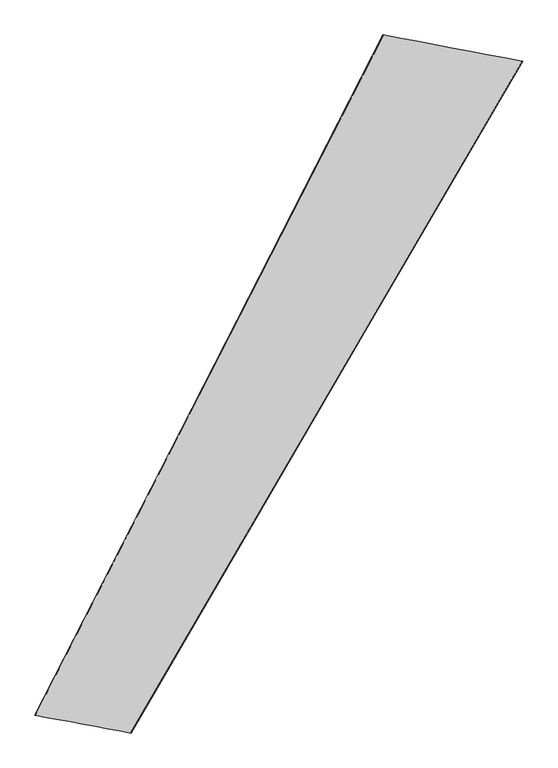
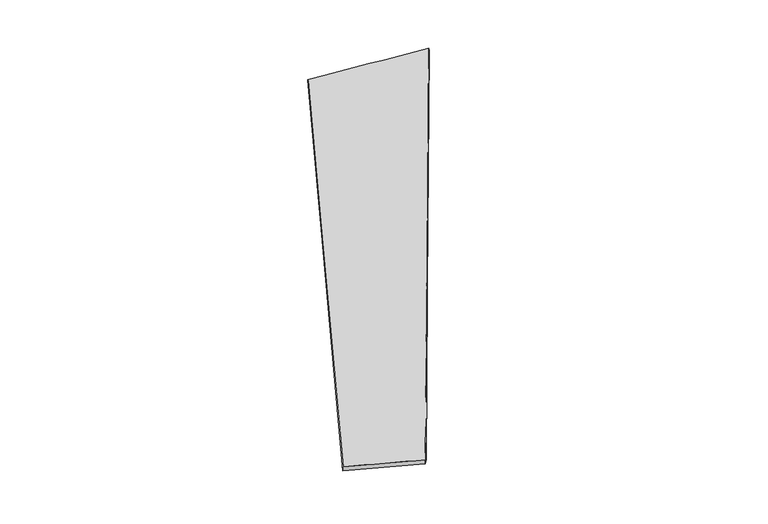
"""IFC4 building model written with IfcOpenShell, lengths in millimetres: proxy geometry."""

import ifcopenshell
import ifcopenshell.guid

model = None  # the IFC model being written
_history = None  # IfcOwnerHistory: only IFC2X3 demands one
_inside = {}  # id of a spatial element -> (the spatial element, [elements in it])
_under = {}  # id of a project, library or spatial element -> (it, [spatial elements below it])
_declared = {}  # id of a project -> (the project, [libraries it declares])
_typed = {}  # id of a type object -> (the type object, [elements of that type])
_made_of = {}  # id of a material, layer set ... -> (it, [elements and type objects made of it])


def new_model(schema):
    """Start an empty IFC model of exactly this schema.

    Asked for "IFC4X3", IfcOpenShell would pick the latest addendum, in which some entities
    have other attributes; the version numbers below select the first issue.
    IFC2X3 requires an IfcOwnerHistory on every rooted entity: one is made here for all.
    """
    global model, _history
    if schema == "IFC4X3":
        model = ifcopenshell.file(schema_version=(4, 3, 0, 0))
    else:
        model = ifcopenshell.file(schema=schema)
    _inside.clear()
    _under.clear()
    _declared.clear()
    _typed.clear()
    _made_of.clear()
    _history = None
    if model.schema == "IFC2X3":
        org = make("IfcOrganization", Name="unknown")
        user = make(
            "IfcPersonAndOrganization",
            ThePerson=make("IfcPerson", FamilyName="unknown"),
            TheOrganization=org,
        )
        app = make(
            "IfcApplication",
            ApplicationDeveloper=org,
            Version="unknown",
            ApplicationFullName="unknown",
            ApplicationIdentifier="unknown",
        )
        _history = make(
            "IfcOwnerHistory",
            OwningUser=user,
            OwningApplication=app,
            ChangeAction="ADDED",
            CreationDate=0,
        )
    return model


def make(cls, **values):
    """One entity of the class cls with the attributes given. An attribute that is None is left unset."""
    return model.create_entity(
        cls, **{name: value for name, value in values.items() if value is not None}
    )


def rooted(cls, **values):
    """An entity with a GlobalId (a new one), such as an element, a storey or a relation."""
    return make(cls, GlobalId=ifcopenshell.guid.new(), OwnerHistory=_history, **values)


def si_unit(unit_type, name, prefix=None):
    """IfcSIUnit, for example si_unit("LENGTHUNIT", "METRE", prefix="MILLI")."""
    return make("IfcSIUnit", UnitType=unit_type, Prefix=prefix, Name=name)


def assignment(units):
    """IfcUnitAssignment: the units of a project."""
    return None if units is None else make("IfcUnitAssignment", Units=units)


def point(xyz):
    """IfcCartesianPoint."""
    return None if xyz is None else make("IfcCartesianPoint", Coordinates=xyz)


def direction(xyz):
    """IfcDirection."""
    return None if xyz is None else make("IfcDirection", DirectionRatios=xyz)


def frame(location, z_axis=None, x_axis=None):
    """IfcAxis2Placement3D, a coordinate frame: its origin and axes. An axis left out is left unset."""
    return make(
        "IfcAxis2Placement3D",
        Location=point(location),
        Axis=direction(z_axis),
        RefDirection=direction(x_axis),
    )


def origin():
    """The frame at (0, 0, 0) with its axes left unset."""
    return frame((0.0, 0.0, 0.0))


def place(relative_to, where):
    """IfcLocalPlacement: puts the frame where relative to a parent placement (None: the world)."""
    return make(
        "IfcLocalPlacement", PlacementRelTo=relative_to, RelativePlacement=where
    )


def context(
    kind, dimensions, precision=None, world=None, true_north=None, identifier=None
):
    """IfcGeometricRepresentationContext, for example the 3D "Model" context."""
    return make(
        "IfcGeometricRepresentationContext",
        ContextIdentifier=identifier,
        ContextType=kind,
        CoordinateSpaceDimension=dimensions,
        Precision=precision,
        WorldCoordinateSystem=world,
        TrueNorth=true_north,
    )


def project(units=None, contexts=None):
    """IfcProject with its units and contexts."""
    return rooted(
        "IfcProject",
        Name="project",
        RepresentationContexts=contexts,
        UnitsInContext=assignment(units),
    )


def spatial(cls, under=None, at=None, **own):
    """A site, building, storey or space (cls), placed at a placement, below another one or the project."""
    s = rooted(cls, ObjectPlacement=at, **own)
    if under is not None:
        _under.setdefault(under.id(), (under, []))[1].append(s)
    return s


def shape(context_of_items, identifier, shape_type, items):
    """IfcShapeRepresentation: the items that make up one representation, for example the "Body"."""
    return make(
        "IfcShapeRepresentation",
        ContextOfItems=context_of_items,
        RepresentationIdentifier=identifier,
        RepresentationType=shape_type,
        Items=items,
    )


def source(mapping_origin, context_of_items, identifier, shape_type, items):
    """IfcRepresentationMap: a shape defined once, which mapped items show again and again."""
    return make(
        "IfcRepresentationMap",
        MappingOrigin=mapping_origin,
        MappedRepresentation=shape(context_of_items, identifier, shape_type, items),
    )


def transform(
    local_origin,
    x_axis=None,
    y_axis=None,
    z_axis=None,
    scale=None,
    scale2=None,
    scale3=None,
    uniform=True,
):
    """IfcCartesianTransformationOperator3D, or its non-uniform kind. x_axis, y_axis, z_axis: its Axis1, 2, 3."""
    if uniform:
        return make(
            "IfcCartesianTransformationOperator3D",
            Axis1=direction(x_axis),
            Axis2=direction(y_axis),
            LocalOrigin=point(local_origin),
            Scale=scale,
            Axis3=direction(z_axis),
        )
    return make(
        "IfcCartesianTransformationOperator3DnonUniform",
        Axis1=direction(x_axis),
        Axis2=direction(y_axis),
        LocalOrigin=point(local_origin),
        Scale=scale,
        Axis3=direction(z_axis),
        Scale2=scale2,
        Scale3=scale3,
    )


def mapped(mapping_source, mapping_target):
    """IfcMappedItem: shows the shape of a source again, moved by a transform."""
    return make(
        "IfcMappedItem", MappingSource=mapping_source, MappingTarget=mapping_target
    )


def made_of(thing, what):
    """Note that an element or type object is made of a material, layer set ...; save() writes the relation."""
    if what is not None:
        _made_of.setdefault(what.id(), (what, []))[1].append(thing)
    return thing


def element(
    cls,
    number,
    at=None,
    inside=None,
    cuts=None,
    type_object=None,
    material=None,
    context=None,
    identifier="Body",
    shape_type=None,
    held_by="IfcProductDefinitionShape",
    body=None,
    shapes=None,
    **own,
):
    """One element of the class cls, such as IfcWall. Its Tag is "e" and its number.

    at: its placement. inside: the storey or other place that contains it. cuts: it is an
    opening in that element (IfcRelVoidsElement). A single representation is given by context,
    identifier, shape_type and body (its items); several are given by shapes. held_by: the class
    of the entity that holds the representations. save() writes the other relations.
    """
    e = rooted(cls, Tag="e%d" % number, ObjectPlacement=at, **own)
    if body is not None:
        shapes = [shape(context, identifier, shape_type, body)]
    if shapes is not None:
        e.Representation = make(held_by, Representations=shapes)
    if inside is not None:
        _inside.setdefault(inside.id(), (inside, []))[1].append(e)
    if cuts is not None:
        rooted(
            "IfcRelVoidsElement", RelatingBuildingElement=cuts, RelatedOpeningElement=e
        )
    if type_object is not None:
        _typed.setdefault(type_object.id(), (type_object, []))[1].append(e)
    return made_of(e, material)


def aggregate(whole, parts):
    """IfcRelAggregates: a whole, such as a stair, and the parts it consists of."""
    return rooted("IfcRelAggregates", RelatingObject=whole, RelatedObjects=parts)


def save(model, path):
    """Write the relations noted so far, then the file.

    IfcRelAggregates (storeys below a building ...), IfcRelContainedInSpatialStructure (elements
    in a storey), IfcRelDefinesByType, IfcRelAssociatesMaterial and IfcRelDeclares: one each for
    every whole, place, type object, material and project.
    """
    for whole, parts in _under.values():
        aggregate(whole, parts)
    for where, things in _inside.values():
        rooted(
            "IfcRelContainedInSpatialStructure",
            RelatedElements=things,
            RelatingStructure=where,
        )
    for kind, things in _typed.values():
        rooted("IfcRelDefinesByType", RelatedObjects=things, RelatingType=kind)
    for what, things in _made_of.values():
        rooted("IfcRelAssociatesMaterial", RelatedObjects=things, RelatingMaterial=what)
    for by, libraries in _declared.values():
        rooted("IfcRelDeclares", RelatingContext=by, RelatedDefinitions=libraries)
    model.write(path)


def spline_surface(u_degree, v_degree, points, u_multiplicities, v_multiplicities, u_knots, v_knots, weights=None):
    """IfcBSplineSurfaceWithKnots; with weights, IfcRationalBSplineSurfaceWithKnots. points: one row for each step in u."""
    own = dict(
        UDegree=u_degree,
        VDegree=v_degree,
        ControlPointsList=[[point(p) for p in row] for row in points],
        SurfaceForm="UNSPECIFIED",
        UClosed=False,
        VClosed=False,
        SelfIntersect=False,
        UMultiplicities=u_multiplicities,
        VMultiplicities=v_multiplicities,
        UKnots=u_knots,
        VKnots=v_knots,
        KnotSpec="UNSPECIFIED",
    )
    if weights is None:
        return make("IfcBSplineSurfaceWithKnots", **own)
    return make("IfcRationalBSplineSurfaceWithKnots", WeightsData=weights, **own)


def advanced_brep(points, edges, surfaces, faces):
    """IfcAdvancedBrep: a solid bounded by faces that lie on surfaces and meet in shared edges.

    An edge is (start, end): straight between two places in points (the first is 0);
    or (start, end, curve); or (start, end, curve, False) where it runs against its curve.
    A face is (place in surfaces, loops), or (place, loops, False) where it looks against
    its surface's normal. A loop lists edges by number (the first is 1), with a minus sign
    where the edge is run from its end to its start. The first loop is the outer one.
    """
    corners = [point(p) for p in points]
    vertices = [make("IfcVertexPoint", VertexGeometry=c) for c in corners]
    made = []
    for start, end, *more in edges:
        made.append(
            make(
                "IfcEdgeCurve",
                EdgeStart=vertices[start],
                EdgeEnd=vertices[end],
                EdgeGeometry=more[0] if more else make("IfcPolyline", Points=[corners[start], corners[end]]),
                SameSense=more[1] if len(more) > 1 else True,
            )
        )
    hull = []
    for where, loops, *sense in faces:
        bounds = []
        for j, loop in enumerate(loops):
            ring = [make("IfcOrientedEdge", EdgeElement=made[abs(k) - 1], Orientation=k > 0) for k in loop]
            bounds.append(
                make(
                    "IfcFaceOuterBound" if j == 0 else "IfcFaceBound",
                    Bound=make("IfcEdgeLoop", EdgeList=ring),
                    Orientation=True,
                )
            )
        hull.append(make("IfcAdvancedFace", Bounds=bounds, FaceSurface=surfaces[where], SameSense=sense[0] if sense else True))
    return make("IfcAdvancedBrep", Outer=make("IfcClosedShell", CfsFaces=hull))


def generic_models_1ddc721d(model_context):
    return source(origin(), model_context, "Body", "AdvancedBrep", [
        advanced_brep(
        [(-672.7856768, -1704.3903813, -36.6331739), (-677.20648, -1701.3177493, -66.1461445), (1466.6081768, 1963.561177, -4.7508082), (1464.5098852, 1964.2796212, 25.1670964), (-1198.7231641, -1606.2632941, 6.7806209), (705.5245943, 2106.1339336, -55.0951596), (-1195.8038424, -1607.2601311, 36.6215974), (704.079634, 2107.3708911, -25.1555199)],
        [
            (0, 1),
            (1, 2),
            (2, 3),
            (3, 0),
            (1, 4),
            (4, 5),
            (5, 2),
            (4, 6),
            (6, 7),
            (7, 5),
            (6, 0),
            (3, 7),
        ],
        [
            spline_surface(1, 1, [[(-672.7856768, -1704.3903813, -36.6331739), (1464.5098852, 1964.2796212, 25.1670964)], [(-677.20648, -1701.3177493, -66.1461445), (1466.6081768, 1963.561177, -4.7508082)]], [2, 2], [2, 2], [0.0, 1.0], [0.0, 1.0]),
            spline_surface(1, 1, [[(-677.20648, -1701.3177493, -66.1461445), (1466.6081768, 1963.561177, -4.7508082)], [(-1198.7231641, -1606.2632941, 6.7806209), (705.5245943, 2106.1339336, -55.0951596)]], [2, 2], [2, 2], [0.0, 1.0], [0.0, 1.0]),
            spline_surface(1, 1, [[(-1198.7231641, -1606.2632941, 6.7806209), (705.5245943, 2106.1339336, -55.0951596)], [(-1195.8038424, -1607.2601311, 36.6215974), (704.079634, 2107.3708911, -25.1555199)]], [2, 2], [2, 2], [0.0, 1.0], [0.0, 1.0]),
            spline_surface(1, 1, [[(-1195.8038424, -1607.2601311, 36.6215974), (704.079634, 2107.3708911, -25.1555199)], [(-672.7856768, -1704.3903813, -36.6331739), (1464.5098852, 1964.2796212, 25.1670964)]], [2, 2], [2, 2], [0.0, 1.0], [0.0, 1.0]),
            spline_surface(1, 1, [[(1466.6081768, 1963.561177, -4.7508082), (1464.5098852, 1964.2796212, 25.1670964)], [(705.5245943, 2106.1339336, -55.0951596), (704.079634, 2107.3708911, -25.1555199)]], [2, 2], [2, 2], [0.0, 1.0], [0.0, 1.0]),
            spline_surface(1, 1, [[(-1195.8038424, -1607.2601311, 36.6215974), (-672.7856768, -1704.3903813, -36.6331739)], [(-1198.7231641, -1606.2632941, 6.7806209), (-677.20648, -1701.3177493, -66.1461445)]], [2, 2], [2, 2], [0.0, 1.0], [0.0, 1.0]),
        ],
        [
            (0, [[1, 2, 3, 4]]),
            (1, [[5, 6, 7, -2]]),
            (2, [[8, 9, 10, -6]]),
            (3, [[11, -4, 12, -9]]),
            (4, [[-3, -7, -10, -12]]),
            (5, [[-11, -8, -5, -1]]),
        ],
    ),
    ])


if __name__ == "__main__":
    model = new_model("IFC4")
    model_context = context("Model", 3, world=origin())
    ifc_project = project(units=[si_unit("LENGTHUNIT", "METRE", prefix="MILLI")], contexts=[model_context])
    site = spatial("IfcSite", under=ifc_project)
    building = spatial("IfcBuilding", under=site)
    placement = place(None, origin())
    generic_models_shape = generic_models_1ddc721d(model_context)
    element("IfcBuildingElementProxy", 1, Name="Generic Models", at=placement, inside=building, context=model_context, shape_type="MappedRepresentation", body=[
        mapped(generic_models_shape, transform((0.0, 0.0, 0.0), x_axis=(1.0, 0.0, 0.0), y_axis=(0.0, 1.0, 0.0), z_axis=(0.0, 0.0, 1.0))),
    ])
    save(model, "model.ifc")
